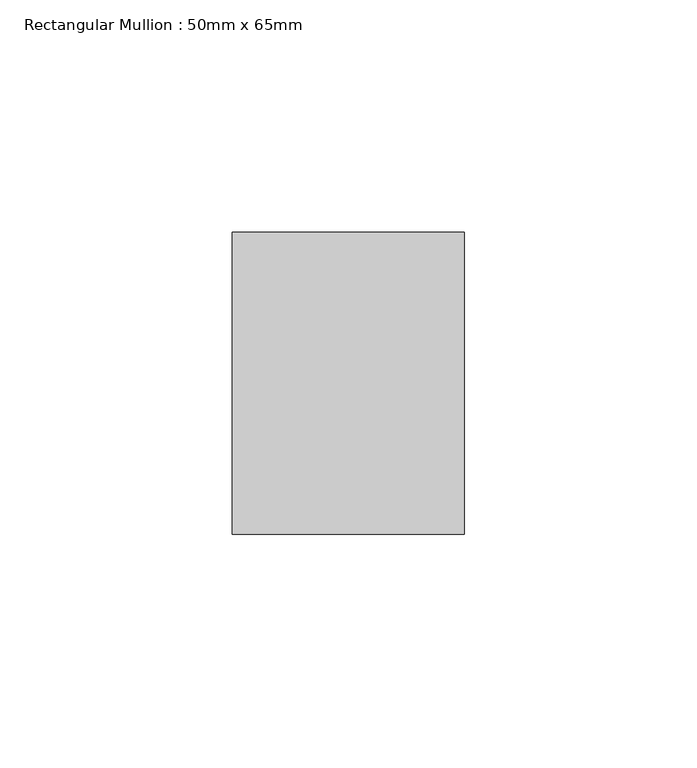
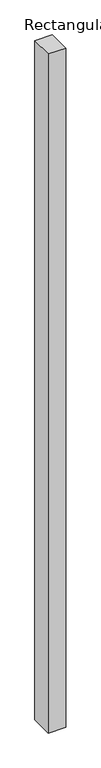
"""IFC4 building model written with IfcOpenShell, lengths in millimetres: member geometry, Rectangular Mullion : 50mm x 65mm."""

from ifc_helpers import new_model, si_unit, frame, origin, place, context, project, spatial, polyline, outline, extrude, source, transform, mapped, element, save


def rectangular_mullion_50mm_x_65mm_63864dc7(model_context):
    return source(origin(), model_context, "Body", "SweptSolid", [
        extrude(outline(polyline([(25.0, 32.5), (25.0, -32.5), (-25.0, -32.5), (-25.0, 32.5), (25.0, 32.5)])), frame((0.0, 0.0, -2042.0388062), z_axis=(0.0, 0.0, 1.0), x_axis=(1.0, 0.0, 0.0)), (0.0, 0.0, 1.0), 2042.0388062),
    ])


if __name__ == "__main__":
    model = new_model("IFC4")
    model_context = context("Model", 3, world=origin())
    ifc_project = project(units=[si_unit("LENGTHUNIT", "METRE", prefix="MILLI")], contexts=[model_context])
    site = spatial("IfcSite", under=ifc_project)
    building = spatial("IfcBuilding", under=site)
    placement = place(None, origin())
    rectangular_mullion_50mm_x_65mm_shape = rectangular_mullion_50mm_x_65mm_63864dc7(model_context)
    element("IfcMember", 1, ObjectType="Rectangular Mullion : 50mm x 65mm", at=placement, inside=building, context=model_context, shape_type="MappedRepresentation", body=[
        mapped(rectangular_mullion_50mm_x_65mm_shape, transform((0.0, 0.0, 0.0), x_axis=(1.0, 0.0, 0.0), y_axis=(0.0, 1.0, 0.0), z_axis=(0.0, 0.0, 1.0))),
    ])
    save(model, "model.ifc")
